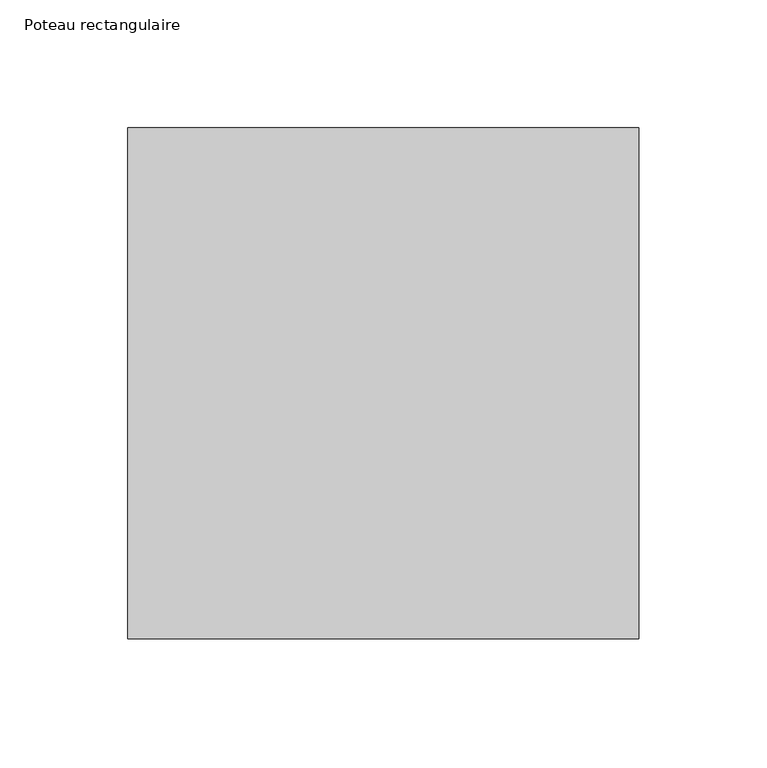
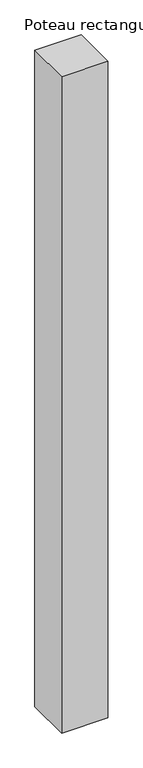
"""IFC4 building model written with IfcOpenShell, lengths in millimetres: column geometry, Poteau rectangulaire."""

import ifcopenshell
import ifcopenshell.guid

model = None  # the IFC model being written
_history = None  # IfcOwnerHistory: only IFC2X3 demands one
_inside = {}  # id of a spatial element -> (the spatial element, [elements in it])
_under = {}  # id of a project, library or spatial element -> (it, [spatial elements below it])
_declared = {}  # id of a project -> (the project, [libraries it declares])
_typed = {}  # id of a type object -> (the type object, [elements of that type])
_made_of = {}  # id of a material, layer set ... -> (it, [elements and type objects made of it])


def new_model(schema):
    """Start an empty IFC model of exactly this schema.

    Asked for "IFC4X3", IfcOpenShell would pick the latest addendum, in which some entities
    have other attributes; the version numbers below select the first issue.
    IFC2X3 requires an IfcOwnerHistory on every rooted entity: one is made here for all.
    """
    global model, _history
    if schema == "IFC4X3":
        model = ifcopenshell.file(schema_version=(4, 3, 0, 0))
    else:
        model = ifcopenshell.file(schema=schema)
    _inside.clear()
    _under.clear()
    _declared.clear()
    _typed.clear()
    _made_of.clear()
    _history = None
    if model.schema == "IFC2X3":
        org = make("IfcOrganization", Name="unknown")
        user = make(
            "IfcPersonAndOrganization",
            ThePerson=make("IfcPerson", FamilyName="unknown"),
            TheOrganization=org,
        )
        app = make(
            "IfcApplication",
            ApplicationDeveloper=org,
            Version="unknown",
            ApplicationFullName="unknown",
            ApplicationIdentifier="unknown",
        )
        _history = make(
            "IfcOwnerHistory",
            OwningUser=user,
            OwningApplication=app,
            ChangeAction="ADDED",
            CreationDate=0,
        )
    return model


def make(cls, **values):
    """One entity of the class cls with the attributes given. An attribute that is None is left unset."""
    return model.create_entity(
        cls, **{name: value for name, value in values.items() if value is not None}
    )


def rooted(cls, **values):
    """An entity with a GlobalId (a new one), such as an element, a storey or a relation."""
    return make(cls, GlobalId=ifcopenshell.guid.new(), OwnerHistory=_history, **values)


def si_unit(unit_type, name, prefix=None):
    """IfcSIUnit, for example si_unit("LENGTHUNIT", "METRE", prefix="MILLI")."""
    return make("IfcSIUnit", UnitType=unit_type, Prefix=prefix, Name=name)


def assignment(units):
    """IfcUnitAssignment: the units of a project."""
    return None if units is None else make("IfcUnitAssignment", Units=units)


def point(xyz):
    """IfcCartesianPoint."""
    return None if xyz is None else make("IfcCartesianPoint", Coordinates=xyz)


def direction(xyz):
    """IfcDirection."""
    return None if xyz is None else make("IfcDirection", DirectionRatios=xyz)


def frame(location, z_axis=None, x_axis=None):
    """IfcAxis2Placement3D, a coordinate frame: its origin and axes. An axis left out is left unset."""
    return make(
        "IfcAxis2Placement3D",
        Location=point(location),
        Axis=direction(z_axis),
        RefDirection=direction(x_axis),
    )


def origin():
    """The frame at (0, 0, 0) with its axes left unset."""
    return frame((0.0, 0.0, 0.0))


def origin_with_axes():
    """The frame at (0, 0, 0) with the z axis (0, 0, 1) and the x axis (1, 0, 0) written out."""
    return frame((0.0, 0.0, 0.0), z_axis=(0.0, 0.0, 1.0), x_axis=(1.0, 0.0, 0.0))


def place(relative_to, where):
    """IfcLocalPlacement: puts the frame where relative to a parent placement (None: the world)."""
    return make(
        "IfcLocalPlacement", PlacementRelTo=relative_to, RelativePlacement=where
    )


def context(
    kind, dimensions, precision=None, world=None, true_north=None, identifier=None
):
    """IfcGeometricRepresentationContext, for example the 3D "Model" context."""
    return make(
        "IfcGeometricRepresentationContext",
        ContextIdentifier=identifier,
        ContextType=kind,
        CoordinateSpaceDimension=dimensions,
        Precision=precision,
        WorldCoordinateSystem=world,
        TrueNorth=true_north,
    )


def project(units=None, contexts=None):
    """IfcProject with its units and contexts."""
    return rooted(
        "IfcProject",
        Name="project",
        RepresentationContexts=contexts,
        UnitsInContext=assignment(units),
    )


def spatial(cls, under=None, at=None, **own):
    """A site, building, storey or space (cls), placed at a placement, below another one or the project."""
    s = rooted(cls, ObjectPlacement=at, **own)
    if under is not None:
        _under.setdefault(under.id(), (under, []))[1].append(s)
    return s


def polyline(points):
    """IfcPolyline through the points."""
    return make("IfcPolyline", Points=[point(p) for p in points])


def outline(outer, holes=None, kind="AREA"):
    """IfcArbitraryClosedProfileDef: a profile drawn as a closed curve; with holes, ...WithVoids."""
    if holes is None:
        return make("IfcArbitraryClosedProfileDef", ProfileType=kind, OuterCurve=outer)
    return make(
        "IfcArbitraryProfileDefWithVoids",
        ProfileType=kind,
        OuterCurve=outer,
        InnerCurves=holes,
    )


def extrude(swept, where, along, depth):
    """IfcExtrudedAreaSolid: the profile swept, set in the frame where, extruded along a direction by depth."""
    return make(
        "IfcExtrudedAreaSolid",
        SweptArea=swept,
        Position=where,
        ExtrudedDirection=direction(along),
        Depth=depth,
    )


def shape(context_of_items, identifier, shape_type, items):
    """IfcShapeRepresentation: the items that make up one representation, for example the "Body"."""
    return make(
        "IfcShapeRepresentation",
        ContextOfItems=context_of_items,
        RepresentationIdentifier=identifier,
        RepresentationType=shape_type,
        Items=items,
    )


def source(mapping_origin, context_of_items, identifier, shape_type, items):
    """IfcRepresentationMap: a shape defined once, which mapped items show again and again."""
    return make(
        "IfcRepresentationMap",
        MappingOrigin=mapping_origin,
        MappedRepresentation=shape(context_of_items, identifier, shape_type, items),
    )


def transform(
    local_origin,
    x_axis=None,
    y_axis=None,
    z_axis=None,
    scale=None,
    scale2=None,
    scale3=None,
    uniform=True,
):
    """IfcCartesianTransformationOperator3D, or its non-uniform kind. x_axis, y_axis, z_axis: its Axis1, 2, 3."""
    if uniform:
        return make(
            "IfcCartesianTransformationOperator3D",
            Axis1=direction(x_axis),
            Axis2=direction(y_axis),
            LocalOrigin=point(local_origin),
            Scale=scale,
            Axis3=direction(z_axis),
        )
    return make(
        "IfcCartesianTransformationOperator3DnonUniform",
        Axis1=direction(x_axis),
        Axis2=direction(y_axis),
        LocalOrigin=point(local_origin),
        Scale=scale,
        Axis3=direction(z_axis),
        Scale2=scale2,
        Scale3=scale3,
    )


def mapped(mapping_source, mapping_target):
    """IfcMappedItem: shows the shape of a source again, moved by a transform."""
    return make(
        "IfcMappedItem", MappingSource=mapping_source, MappingTarget=mapping_target
    )


def made_of(thing, what):
    """Note that an element or type object is made of a material, layer set ...; save() writes the relation."""
    if what is not None:
        _made_of.setdefault(what.id(), (what, []))[1].append(thing)
    return thing


def element(
    cls,
    number,
    at=None,
    inside=None,
    cuts=None,
    type_object=None,
    material=None,
    context=None,
    identifier="Body",
    shape_type=None,
    held_by="IfcProductDefinitionShape",
    body=None,
    shapes=None,
    **own,
):
    """One element of the class cls, such as IfcWall. Its Tag is "e" and its number.

    at: its placement. inside: the storey or other place that contains it. cuts: it is an
    opening in that element (IfcRelVoidsElement). A single representation is given by context,
    identifier, shape_type and body (its items); several are given by shapes. held_by: the class
    of the entity that holds the representations. save() writes the other relations.
    """
    e = rooted(cls, Tag="e%d" % number, ObjectPlacement=at, **own)
    if body is not None:
        shapes = [shape(context, identifier, shape_type, body)]
    if shapes is not None:
        e.Representation = make(held_by, Representations=shapes)
    if inside is not None:
        _inside.setdefault(inside.id(), (inside, []))[1].append(e)
    if cuts is not None:
        rooted(
            "IfcRelVoidsElement", RelatingBuildingElement=cuts, RelatedOpeningElement=e
        )
    if type_object is not None:
        _typed.setdefault(type_object.id(), (type_object, []))[1].append(e)
    return made_of(e, material)


def aggregate(whole, parts):
    """IfcRelAggregates: a whole, such as a stair, and the parts it consists of."""
    return rooted("IfcRelAggregates", RelatingObject=whole, RelatedObjects=parts)


def save(model, path):
    """Write the relations noted so far, then the file.

    IfcRelAggregates (storeys below a building ...), IfcRelContainedInSpatialStructure (elements
    in a storey), IfcRelDefinesByType, IfcRelAssociatesMaterial and IfcRelDeclares: one each for
    every whole, place, type object, material and project.
    """
    for whole, parts in _under.values():
        aggregate(whole, parts)
    for where, things in _inside.values():
        rooted(
            "IfcRelContainedInSpatialStructure",
            RelatedElements=things,
            RelatingStructure=where,
        )
    for kind, things in _typed.values():
        rooted("IfcRelDefinesByType", RelatedObjects=things, RelatingType=kind)
    for what, things in _made_of.values():
        rooted("IfcRelAssociatesMaterial", RelatedObjects=things, RelatingMaterial=what)
    for by, libraries in _declared.values():
        rooted("IfcRelDeclares", RelatingContext=by, RelatedDefinitions=libraries)
    model.write(path)


def poteau_rectangulaire_1ab92460(model_context):
    return source(origin(), model_context, "Body", "SweptSolid", [
        extrude(outline(polyline([(100.0, -100.0), (-100.0, -100.0), (-100.0, 100.0), (100.0, 100.0), (100.0, -100.0)])), origin_with_axes(), (0.0, 0.0, 1.0), 3000.0),
    ])


if __name__ == "__main__":
    model = new_model("IFC4")
    model_context = context("Model", 3, world=origin())
    ifc_project = project(units=[si_unit("LENGTHUNIT", "METRE", prefix="MILLI")], contexts=[model_context])
    site = spatial("IfcSite", under=ifc_project)
    building = spatial("IfcBuilding", under=site)
    placement = place(None, origin())
    poteau_rectangulaire_shape = poteau_rectangulaire_1ab92460(model_context)
    element("IfcColumn", 1, ObjectType="Poteau rectangulaire", at=placement, inside=building, context=model_context, shape_type="MappedRepresentation", body=[
        mapped(poteau_rectangulaire_shape, transform((0.0, 0.0, 0.0), x_axis=(1.0, 0.0, 0.0), y_axis=(0.0, 1.0, 0.0), z_axis=(0.0, 0.0, 1.0))),
    ])
    save(model, "model.ifc")
